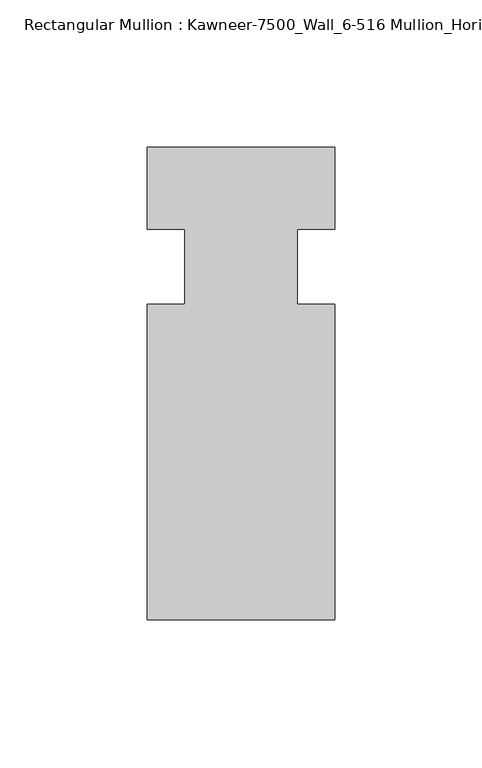
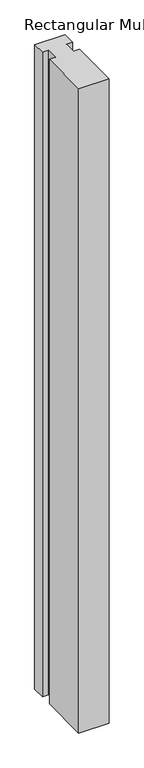
"""IFC4 building model written with IfcOpenShell, lengths in millimetres: member geometry, Rectangular Mullion : Kawneer-7500_Wall_6-516 Mullion_Horizontal."""

from ifc_helpers import new_model, si_unit, frame, origin, place, context, project, spatial, polyline, outline, extrude, source, transform, mapped, element, save


def rectangular_mullion_kawneer_7500_wall_6_516_mullion_004b71ef(model_context):
    return source(origin(), model_context, "Body", "SweptSolid", [
        extrude(outline(polyline([(36.0844027, -122.2375), (-27.4155973, -122.2375), (-27.4155973, -15.08125), (-14.7155973, -15.08125), (-14.7155973, 10.31875), (-27.4155973, 10.31875), (-27.4155973, 38.1), (36.0844027, 38.1), (36.0844027, 10.31875), (23.3826322, 10.31875), (23.3826322, -15.08125), (36.0844027, -15.08125), (36.0844027, -122.2375)])), frame((0.0, 0.0, -1433.0844027), z_axis=(0.0, 0.0, 1.0), x_axis=(1.0, 0.0, 0.0)), (0.0, 0.0, 1.0), 1433.0844027),
    ])


if __name__ == "__main__":
    model = new_model("IFC4")
    model_context = context("Model", 3, world=origin())
    ifc_project = project(units=[si_unit("LENGTHUNIT", "METRE", prefix="MILLI")], contexts=[model_context])
    site = spatial("IfcSite", under=ifc_project)
    building = spatial("IfcBuilding", under=site)
    placement = place(None, origin())
    rectangular_mullion_kawneer_7500_wall_6_516_mullion_shape = rectangular_mullion_kawneer_7500_wall_6_516_mullion_004b71ef(model_context)
    element("IfcMember", 1, ObjectType="Rectangular Mullion : Kawneer-7500_Wall_6-516 Mullion_Horizontal", at=placement, inside=building, context=model_context, shape_type="MappedRepresentation", body=[
        mapped(rectangular_mullion_kawneer_7500_wall_6_516_mullion_shape, transform((0.0, 0.0, 0.0), x_axis=(1.0, 0.0, 0.0), y_axis=(0.0, 1.0, 0.0), z_axis=(0.0, 0.0, 1.0))),
    ])
    save(model, "model.ifc")
